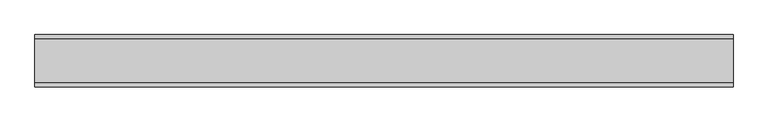
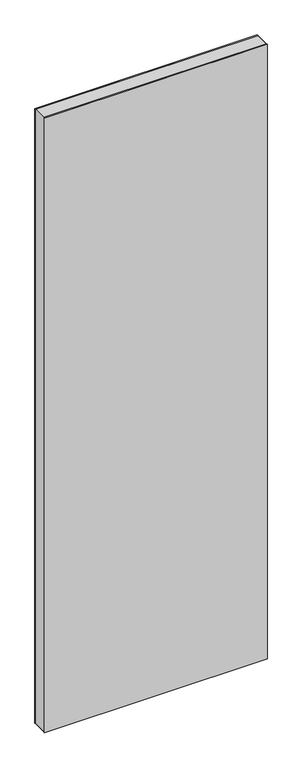
"""IFC4 building model written with IfcOpenShell, lengths in millimetres: plate geometry."""

from ifc_helpers import new_model, si_unit, frame, origin, origin_with_axes, place, context, project, spatial, polyline, outline, extrude, source, transform, mapped, element, save


def plate_209d3852(model_context):
    return source(origin(), model_context, "Body", "SweptSolid", [
        extrude(outline(polyline([(2915.0, -498.9415345), (0.0, -498.9415345), (0.0, 498.9415345), (2915.0, 498.9415345), (2915.0, -498.9415345)]), holes=[polyline([(2914.0, -497.9415345), (2914.0, 497.9415345), (1.0, 497.9415345), (1.0, -497.9415345), (2914.0, -497.9415345)])]), frame((0.0, -31.2, 0.0), z_axis=(0.0, 1.0, 0.0), x_axis=(0.0, 0.0, 1.0)), (0.0, 0.0, 1.0), 62.4),
        extrude(outline(polyline([(498.9415345, 31.2), (-498.9415345, 31.2), (-498.9415345, 37.2), (498.9415345, 37.2), (498.9415345, 31.2)])), origin_with_axes(), (0.0, 0.0, 1.0), 2915.0),
        extrude(outline(polyline([(-498.9415345, -37.2), (-498.9415345, -31.2), (498.9415345, -31.2), (498.9415345, -37.2), (-498.9415345, -37.2)])), origin_with_axes(), (0.0, 0.0, 1.0), 2915.0),
    ])


if __name__ == "__main__":
    model = new_model("IFC4")
    model_context = context("Model", 3, world=origin())
    ifc_project = project(units=[si_unit("LENGTHUNIT", "METRE", prefix="MILLI")], contexts=[model_context])
    site = spatial("IfcSite", under=ifc_project)
    building = spatial("IfcBuilding", under=site)
    placement = place(None, origin())
    plate_shape = plate_209d3852(model_context)
    element("IfcPlate", 1, at=placement, inside=building, context=model_context, shape_type="MappedRepresentation", body=[
        mapped(plate_shape, transform((0.0, 0.0, 0.0), x_axis=(1.0, 0.0, 0.0), y_axis=(0.0, 1.0, 0.0), z_axis=(0.0, 0.0, 1.0))),
    ])
    save(model, "model.ifc")
